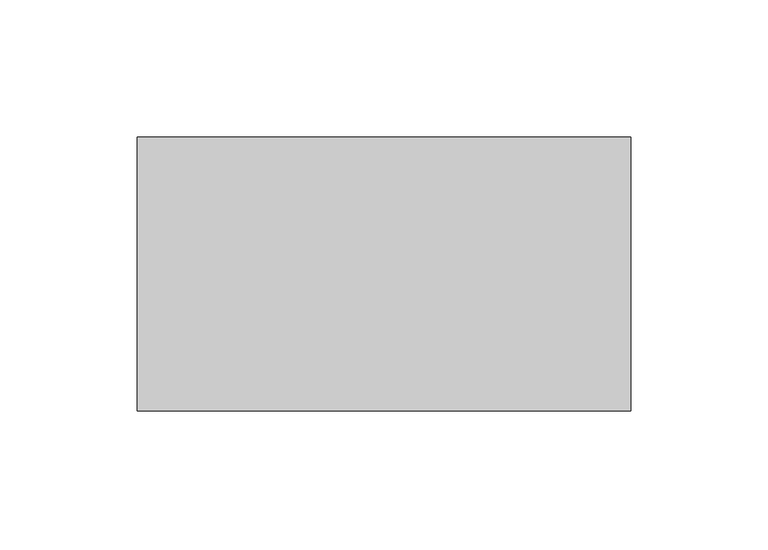
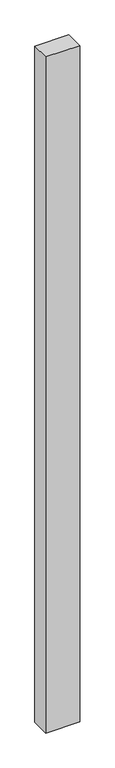
"""IFC4 building model written with IfcOpenShell, lengths in millimetres: proxy geometry."""

from ifc_helpers import new_model, si_unit, frame, origin, place, context, project, spatial, polyline, outline, extrude, source, transform, mapped, element, save


def generic_models_5befa4be(model_context):
    return source(origin(), model_context, "Body", "SweptSolid", [
        extrude(outline(polyline([(180.0, 100.0), (180.0, 0.0), (0.0, 0.0), (0.0, 100.0), (180.0, 100.0)])), frame((0.0, 0.0, -3800.0), z_axis=(0.0, 0.0, 1.0), x_axis=(1.0, 0.0, 0.0)), (0.0, 0.0, 1.0), 3800.0),
    ])


if __name__ == "__main__":
    model = new_model("IFC4")
    model_context = context("Model", 3, world=origin())
    ifc_project = project(units=[si_unit("LENGTHUNIT", "METRE", prefix="MILLI")], contexts=[model_context])
    site = spatial("IfcSite", under=ifc_project)
    building = spatial("IfcBuilding", under=site)
    placement = place(None, origin())
    generic_models_shape = generic_models_5befa4be(model_context)
    element("IfcBuildingElementProxy", 1, Name="Generic Models", at=placement, inside=building, context=model_context, shape_type="MappedRepresentation", body=[
        mapped(generic_models_shape, transform((0.0, 0.0, 0.0), x_axis=(1.0, 0.0, 0.0), y_axis=(0.0, 1.0, 0.0), z_axis=(0.0, 0.0, 1.0))),
    ])
    save(model, "model.ifc")
